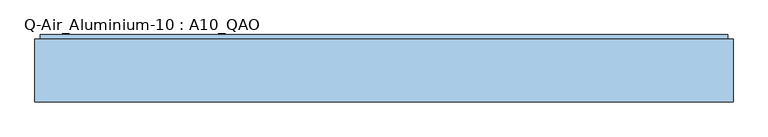
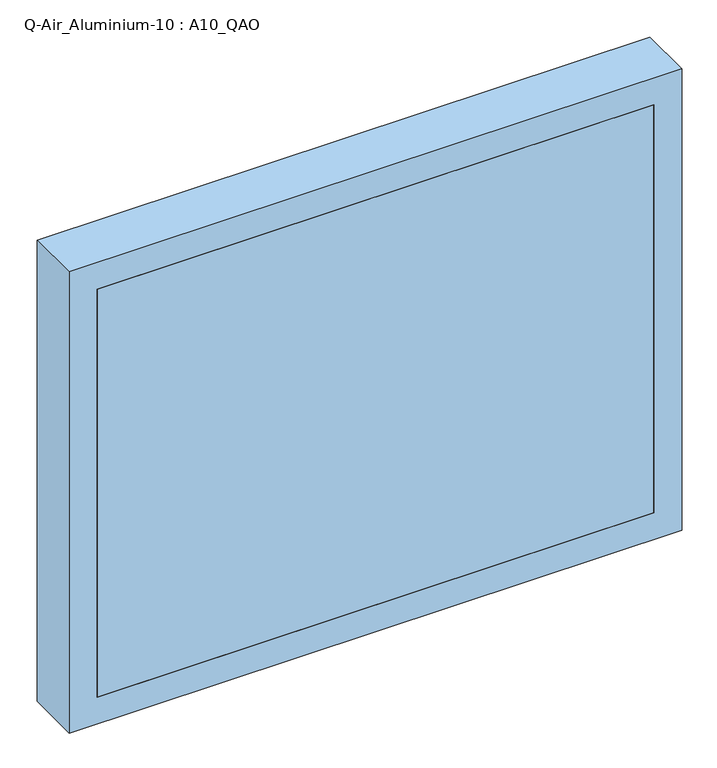
"""IFC4 building model written with IfcOpenShell, lengths in millimetres: window geometry, Q-Air_Aluminium-10 : A10_QAO."""

from ifc_helpers import new_model, si_unit, frame, origin, place, context, project, spatial, polyline, outline, extrude, source, transform, mapped, element, save


def q_air_aluminium_10_a10_qao_d64eca54(model_context):
    return source(origin(), model_context, "Body", "SweptSolid", [
        extrude(outline(polyline([(1010.0, 635.0), (1010.0, -635.0), (0.0, -635.0), (0.0, 635.0), (1010.0, 635.0)]), holes=[polyline([(952.0, 577.0), (58.0, 577.0), (58.0, -577.0), (952.0, -577.0), (952.0, 577.0)])]), frame((0.0, 0.0, 0.0), z_axis=(0.0, 1.0, 0.0), x_axis=(0.0, 0.0, 1.0)), (0.0, 0.0, 1.0), 114.5),
        extrude(outline(polyline([(577.0, 0.0), (-577.0, 0.0), (-577.0, 12.5), (577.0, 12.5), (577.0, 0.0)])), frame((0.0, 0.0, 58.0), z_axis=(0.0, 0.0, 1.0), x_axis=(1.0, 0.0, 0.0)), (0.0, 0.0, 1.0), 894.0),
        extrude(outline(polyline([(625.0, 114.5), (-625.0, 114.5), (-625.0, 122.5), (625.0, 122.5), (625.0, 114.5)])), frame((0.0, 0.0, 10.0), z_axis=(0.0, 0.0, 1.0), x_axis=(1.0, 0.0, 0.0)), (0.0, 0.0, 1.0), 990.0),
        extrude(outline(polyline([(1000.0, 625.0), (1000.0, -625.0), (10.0, -625.0), (10.0, 625.0), (1000.0, 625.0)]), holes=[polyline([(952.0, 577.0), (58.0, 577.0), (58.0, -577.0), (952.0, -577.0), (952.0, 577.0)])]), frame((0.0, 114.5, 0.0), z_axis=(0.0, 1.0, 0.0), x_axis=(0.0, 0.0, 1.0)), (0.0, 0.0, 1.0), 4.0),
    ])


if __name__ == "__main__":
    model = new_model("IFC4")
    model_context = context("Model", 3, world=origin())
    ifc_project = project(units=[si_unit("LENGTHUNIT", "METRE", prefix="MILLI")], contexts=[model_context])
    site = spatial("IfcSite", under=ifc_project)
    building = spatial("IfcBuilding", under=site)
    placement = place(None, origin())
    q_air_aluminium_10_a10_qao_shape = q_air_aluminium_10_a10_qao_d64eca54(model_context)
    element("IfcWindow", 1, ObjectType="Q-Air_Aluminium-10 : A10_QAO", at=placement, inside=building, context=model_context, shape_type="MappedRepresentation", body=[
        mapped(q_air_aluminium_10_a10_qao_shape, transform((0.0, 0.0, 0.0), x_axis=(1.0, 0.0, 0.0), y_axis=(0.0, 1.0, 0.0), z_axis=(0.0, 0.0, 1.0))),
    ])
    save(model, "model.ifc")
